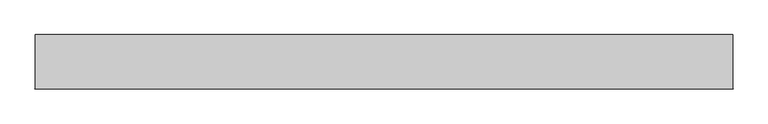
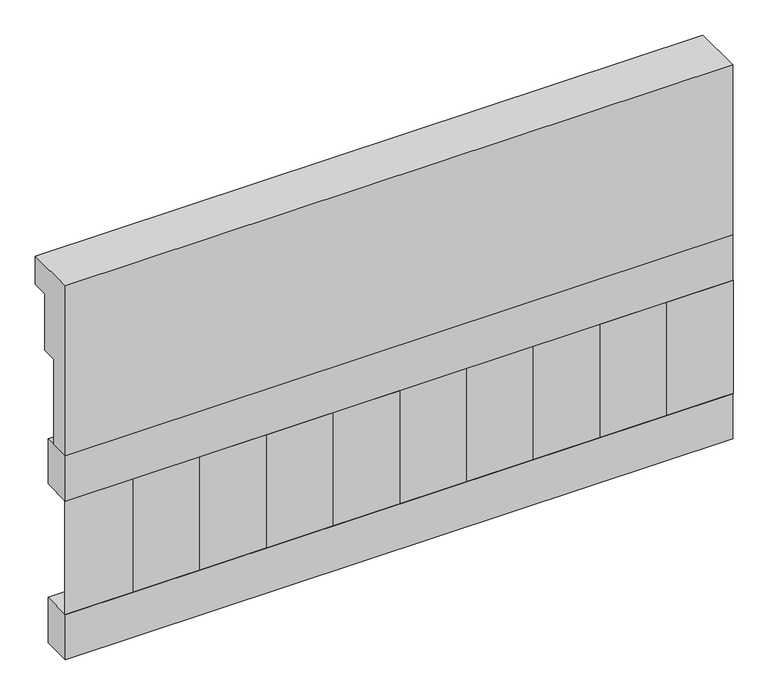
"""IFC4 building model written with IfcOpenShell, lengths in millimetres: railing geometry."""

from ifc_helpers import new_model, si_unit, frame, origin, place, context, project, spatial, polyline, outline, extrude, source, transform, mapped, element, save


def railing_f5a7117e(model_context):
    return source(origin(), model_context, "Body", "SweptSolid", [
        extrude(outline(polyline([(903.1079487, 18500.0), (1033.1079487, 18500.0), (1033.1079487, 18425.0), (993.1079487, 18425.0), (993.1079487, 18275.0), (953.1079487, 18275.0), (953.1079487, 18050.0), (903.1079487, 18050.0), (903.1079487, 18500.0)])), frame((-33139.9887159, 0.0, 0.0), z_axis=(1.0, 0.0, 0.0), x_axis=(0.0, 1.0, 0.0)), (0.0, 0.0, 1.0), 1670.0),
        extrude(outline(polyline([(-31469.9887159, 978.1079487), (-31469.9887159, 903.1079487), (-33139.9887159, 903.1079487), (-33139.9887159, 978.1079487), (-31469.9887159, 978.1079487)])), frame((0.0, 0.0, 17930.0), z_axis=(0.0, 0.0, 1.0), x_axis=(1.0, 0.0, 0.0)), (0.0, 0.0, 1.0), 120.0),
        extrude(outline(polyline([(-31469.9887159, 978.1079487), (-31469.9887159, 903.1079487), (-33139.9887159, 903.1079487), (-33139.9887159, 978.1079487), (-31469.9887159, 978.1079487)])), frame((0.0, 0.0, 17510.0), z_axis=(0.0, 0.0, 1.0), x_axis=(1.0, 0.0, 0.0)), (0.0, 0.0, 1.0), 120.0),
        extrude(outline(polyline([(-33056.4887159, 987.9607624), (-32971.6359022, 903.1079487), (-33141.3415296, 903.1079487), (-33056.4887159, 987.9607624)])), frame((0.0, 0.0, 17630.0), z_axis=(0.0, 0.0, 1.0), x_axis=(1.0, 0.0, 0.0)), (0.0, 0.0, 1.0), 300.0),
        extrude(outline(polyline([(-32889.4887159, 987.9607624), (-32804.6359022, 903.1079487), (-32974.3415296, 903.1079487), (-32889.4887159, 987.9607624)])), frame((0.0, 0.0, 17630.0), z_axis=(0.0, 0.0, 1.0), x_axis=(1.0, 0.0, 0.0)), (0.0, 0.0, 1.0), 300.0),
        extrude(outline(polyline([(-32722.4887159, 987.9607624), (-32637.6359022, 903.1079487), (-32807.3415296, 903.1079487), (-32722.4887159, 987.9607624)])), frame((0.0, 0.0, 17630.0), z_axis=(0.0, 0.0, 1.0), x_axis=(1.0, 0.0, 0.0)), (0.0, 0.0, 1.0), 300.0),
        extrude(outline(polyline([(-32555.4887159, 987.9607624), (-32470.6359022, 903.1079487), (-32640.3415296, 903.1079487), (-32555.4887159, 987.9607624)])), frame((0.0, 0.0, 17630.0), z_axis=(0.0, 0.0, 1.0), x_axis=(1.0, 0.0, 0.0)), (0.0, 0.0, 1.0), 300.0),
        extrude(outline(polyline([(-32388.4887159, 987.9607624), (-32303.6359022, 903.1079487), (-32473.3415296, 903.1079487), (-32388.4887159, 987.9607624)])), frame((0.0, 0.0, 17630.0), z_axis=(0.0, 0.0, 1.0), x_axis=(1.0, 0.0, 0.0)), (0.0, 0.0, 1.0), 300.0),
        extrude(outline(polyline([(-32221.4887159, 987.9607624), (-32136.6359022, 903.1079487), (-32306.3415296, 903.1079487), (-32221.4887159, 987.9607624)])), frame((0.0, 0.0, 17630.0), z_axis=(0.0, 0.0, 1.0), x_axis=(1.0, 0.0, 0.0)), (0.0, 0.0, 1.0), 300.0),
        extrude(outline(polyline([(-32054.4887159, 987.9607624), (-31969.6359022, 903.1079487), (-32139.3415296, 903.1079487), (-32054.4887159, 987.9607624)])), frame((0.0, 0.0, 17630.0), z_axis=(0.0, 0.0, 1.0), x_axis=(1.0, 0.0, 0.0)), (0.0, 0.0, 1.0), 300.0),
        extrude(outline(polyline([(-31887.4887159, 987.9607624), (-31802.6359022, 903.1079487), (-31972.3415296, 903.1079487), (-31887.4887159, 987.9607624)])), frame((0.0, 0.0, 17630.0), z_axis=(0.0, 0.0, 1.0), x_axis=(1.0, 0.0, 0.0)), (0.0, 0.0, 1.0), 300.0),
        extrude(outline(polyline([(-31720.4887159, 987.9607624), (-31635.6359022, 903.1079487), (-31805.3415296, 903.1079487), (-31720.4887159, 987.9607624)])), frame((0.0, 0.0, 17630.0), z_axis=(0.0, 0.0, 1.0), x_axis=(1.0, 0.0, 0.0)), (0.0, 0.0, 1.0), 300.0),
        extrude(outline(polyline([(-31553.4887159, 987.9607624), (-31468.6359022, 903.1079487), (-31638.3415296, 903.1079487), (-31553.4887159, 987.9607624)])), frame((0.0, 0.0, 17630.0), z_axis=(0.0, 0.0, 1.0), x_axis=(1.0, 0.0, 0.0)), (0.0, 0.0, 1.0), 300.0),
    ])


if __name__ == "__main__":
    model = new_model("IFC4")
    model_context = context("Model", 3, world=origin())
    ifc_project = project(units=[si_unit("LENGTHUNIT", "METRE", prefix="MILLI")], contexts=[model_context])
    site = spatial("IfcSite", under=ifc_project)
    building = spatial("IfcBuilding", under=site)
    placement = place(None, origin())
    railing_shape = railing_f5a7117e(model_context)
    element("IfcRailing", 1, at=placement, inside=building, context=model_context, shape_type="MappedRepresentation", body=[
        mapped(railing_shape, transform((0.0, 0.0, 0.0), x_axis=(1.0, 0.0, 0.0), y_axis=(0.0, 1.0, 0.0), z_axis=(0.0, 0.0, 1.0))),
    ])
    save(model, "model.ifc")
